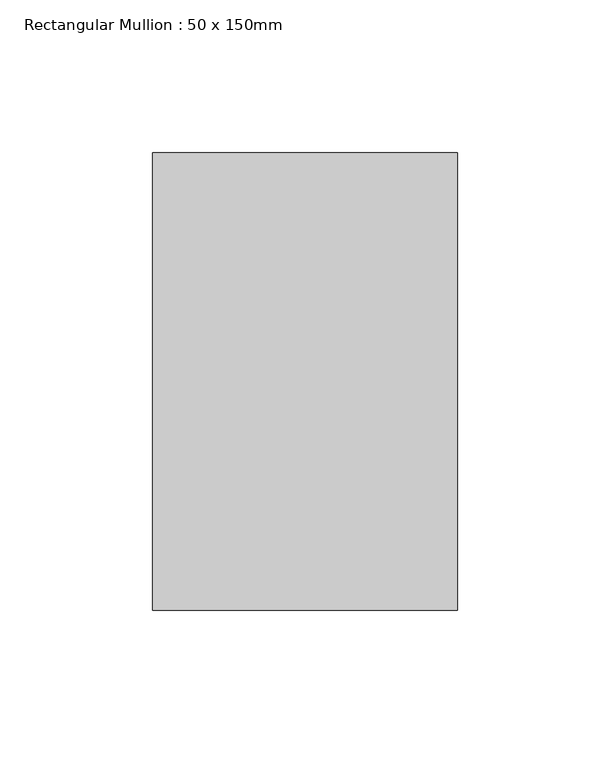
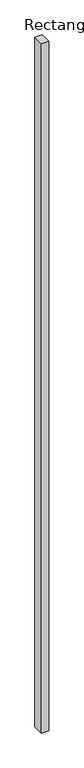
"""IFC4 building model written with IfcOpenShell, lengths in millimetres: member geometry, Rectangular Mullion : 50 x 150mm."""

from ifc_helpers import new_model, si_unit, frame, origin, place, context, project, spatial, polyline, outline, extrude, source, transform, mapped, element, save


def rectangular_mullion_50_x_150mm_381a478f(model_context):
    return source(origin(), model_context, "Body", "SweptSolid", [
        extrude(outline(polyline([(50.0, 75.0), (50.0, -75.0), (-50.0, -75.0), (-50.0, 75.0), (50.0, 75.0)])), frame((0.0, 0.0, -9916.3354495), z_axis=(0.0, 0.0, 1.0), x_axis=(1.0, 0.0, 0.0)), (0.0, 0.0, 1.0), 9916.3354495),
    ])


if __name__ == "__main__":
    model = new_model("IFC4")
    model_context = context("Model", 3, world=origin())
    ifc_project = project(units=[si_unit("LENGTHUNIT", "METRE", prefix="MILLI")], contexts=[model_context])
    site = spatial("IfcSite", under=ifc_project)
    building = spatial("IfcBuilding", under=site)
    placement = place(None, origin())
    rectangular_mullion_50_x_150mm_shape = rectangular_mullion_50_x_150mm_381a478f(model_context)
    element("IfcMember", 1, ObjectType="Rectangular Mullion : 50 x 150mm", at=placement, inside=building, context=model_context, shape_type="MappedRepresentation", body=[
        mapped(rectangular_mullion_50_x_150mm_shape, transform((0.0, 0.0, 0.0), x_axis=(1.0, 0.0, 0.0), y_axis=(0.0, 1.0, 0.0), z_axis=(0.0, 0.0, 1.0))),
    ])
    save(model, "model.ifc")
